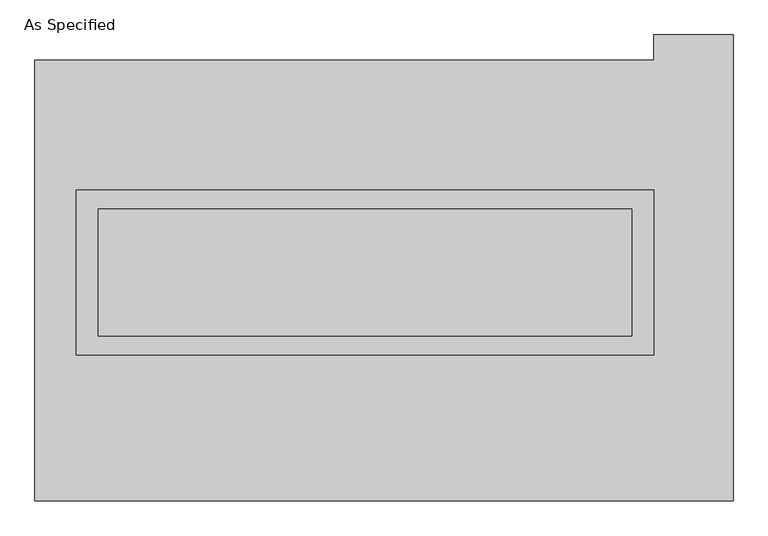
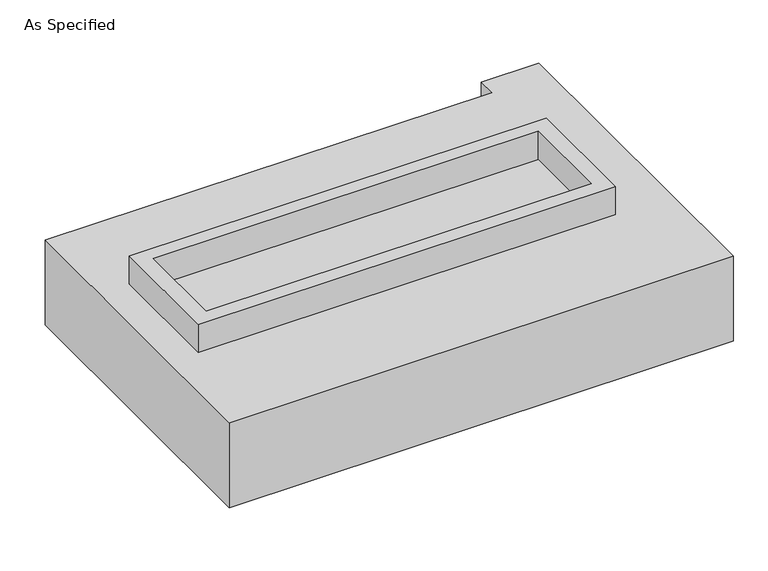
"""IFC4 building model written with IfcOpenShell, lengths in millimetres: proxy geometry, As Specified."""

from ifc_helpers import new_model, si_unit, frame, origin, place, context, project, spatial, polyline, outline, extrude, source, transform, mapped, element, save


def as_specified_2b0614b5(model_context):
    return source(origin(), model_context, "Body", "SweptSolid", [
        extrude(outline(polyline([(1155.7, 361.95), (1155.7, -298.45), (-1155.7, -298.45), (-1155.7, 361.95), (1155.7, 361.95)]), holes=[polyline([(1066.8, 285.75), (-1066.8, 285.75), (-1066.8, -222.25), (1066.8, -222.25), (1066.8, 285.75)])]), frame((0.0, 0.0, -688.975), z_axis=(0.0, 0.0, 1.0), x_axis=(1.0, 0.0, 0.0)), (0.0, 0.0, 1.0), 165.1),
        extrude(outline(polyline([(1155.7, 361.95), (1155.7, -298.45), (-1155.7, -298.45), (-1155.7, 361.95), (1155.7, 361.95)]), holes=[polyline([(1066.8, 285.75), (-1066.8, 285.75), (-1066.8, -222.25), (1066.8, -222.25), (1066.8, 285.75)])]), frame((0.0, 0.0, -25.4), z_axis=(0.0, 0.0, 1.0), x_axis=(1.0, 0.0, 0.0)), (0.0, 0.0, 1.0), 165.1),
        extrude(outline(polyline([(1066.8, 285.75), (1066.8, -222.25), (-1066.8, -222.25), (-1066.8, 285.75), (1066.8, 285.75)])), frame((0.0, 0.0, -523.875), z_axis=(0.0, 0.0, 1.0), x_axis=(1.0, 0.0, 0.0)), (0.0, 0.0, 1.0), 4.9609375),
        extrude(outline(polyline([(1066.8, 285.75), (1066.8, -222.25), (-1066.8, -222.25), (-1066.8, 285.75), (1066.8, 285.75)])), frame((0.0, 0.0, -30.3609375), z_axis=(0.0, 0.0, 1.0), x_axis=(1.0, 0.0, 0.0)), (0.0, 0.0, 1.0), 4.9609375),
        extrude(outline(polyline([(1473.2, -882.65), (-1320.8, -882.65), (-1320.8, 882.65), (1155.7, 882.65), (1155.7, 984.25), (1473.2, 984.25), (1473.2, -882.65)]), holes=[polyline([(-1155.7, 361.95), (-1155.7, -298.45), (1155.7, -298.45), (1155.7, 361.95), (-1155.7, 361.95)])]), frame((0.0, 0.0, -523.875), z_axis=(0.0, 0.0, 1.0), x_axis=(1.0, 0.0, 0.0)), (0.0, 0.0, 1.0), 498.475),
    ])


if __name__ == "__main__":
    model = new_model("IFC4")
    model_context = context("Model", 3, world=origin())
    ifc_project = project(units=[si_unit("LENGTHUNIT", "METRE", prefix="MILLI")], contexts=[model_context])
    site = spatial("IfcSite", under=ifc_project)
    building = spatial("IfcBuilding", under=site)
    placement = place(None, origin())
    as_specified_shape = as_specified_2b0614b5(model_context)
    element("IfcBuildingElementProxy", 1, Name="As Specified", ObjectType="As Specified", at=placement, inside=building, context=model_context, shape_type="MappedRepresentation", body=[
        mapped(as_specified_shape, transform((0.0, 0.0, 0.0), x_axis=(1.0, 0.0, 0.0), y_axis=(0.0, 1.0, 0.0), z_axis=(0.0, 0.0, 1.0))),
    ])
    save(model, "model.ifc")
